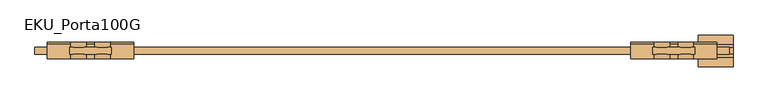
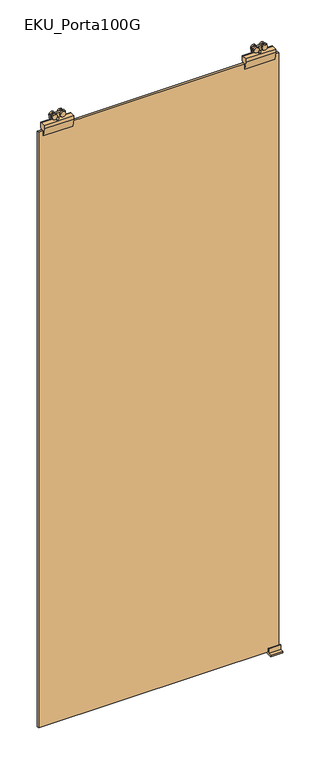
"""IFC4 building model written with IfcOpenShell, lengths in millimetres: door geometry, EKU_Porta100G."""

import ifcopenshell
import ifcopenshell.guid

model = None  # the IFC model being written
_history = None  # IfcOwnerHistory: only IFC2X3 demands one
_inside = {}  # id of a spatial element -> (the spatial element, [elements in it])
_under = {}  # id of a project, library or spatial element -> (it, [spatial elements below it])
_declared = {}  # id of a project -> (the project, [libraries it declares])
_typed = {}  # id of a type object -> (the type object, [elements of that type])
_made_of = {}  # id of a material, layer set ... -> (it, [elements and type objects made of it])


def new_model(schema):
    """Start an empty IFC model of exactly this schema.

    Asked for "IFC4X3", IfcOpenShell would pick the latest addendum, in which some entities
    have other attributes; the version numbers below select the first issue.
    IFC2X3 requires an IfcOwnerHistory on every rooted entity: one is made here for all.
    """
    global model, _history
    if schema == "IFC4X3":
        model = ifcopenshell.file(schema_version=(4, 3, 0, 0))
    else:
        model = ifcopenshell.file(schema=schema)
    _inside.clear()
    _under.clear()
    _declared.clear()
    _typed.clear()
    _made_of.clear()
    _history = None
    if model.schema == "IFC2X3":
        org = make("IfcOrganization", Name="unknown")
        user = make(
            "IfcPersonAndOrganization",
            ThePerson=make("IfcPerson", FamilyName="unknown"),
            TheOrganization=org,
        )
        app = make(
            "IfcApplication",
            ApplicationDeveloper=org,
            Version="unknown",
            ApplicationFullName="unknown",
            ApplicationIdentifier="unknown",
        )
        _history = make(
            "IfcOwnerHistory",
            OwningUser=user,
            OwningApplication=app,
            ChangeAction="ADDED",
            CreationDate=0,
        )
    return model


def make(cls, **values):
    """One entity of the class cls with the attributes given. An attribute that is None is left unset."""
    return model.create_entity(
        cls, **{name: value for name, value in values.items() if value is not None}
    )


def rooted(cls, **values):
    """An entity with a GlobalId (a new one), such as an element, a storey or a relation."""
    return make(cls, GlobalId=ifcopenshell.guid.new(), OwnerHistory=_history, **values)


def si_unit(unit_type, name, prefix=None):
    """IfcSIUnit, for example si_unit("LENGTHUNIT", "METRE", prefix="MILLI")."""
    return make("IfcSIUnit", UnitType=unit_type, Prefix=prefix, Name=name)


def assignment(units):
    """IfcUnitAssignment: the units of a project."""
    return None if units is None else make("IfcUnitAssignment", Units=units)


def point(xyz):
    """IfcCartesianPoint."""
    return None if xyz is None else make("IfcCartesianPoint", Coordinates=xyz)


def direction(xyz):
    """IfcDirection."""
    return None if xyz is None else make("IfcDirection", DirectionRatios=xyz)


def frame(location, z_axis=None, x_axis=None):
    """IfcAxis2Placement3D, a coordinate frame: its origin and axes. An axis left out is left unset."""
    return make(
        "IfcAxis2Placement3D",
        Location=point(location),
        Axis=direction(z_axis),
        RefDirection=direction(x_axis),
    )


def frame_2d(location, x_axis=None):
    """IfcAxis2Placement2D, a coordinate frame in the plane: its origin and x axis."""
    return make(
        "IfcAxis2Placement2D", Location=point(location), RefDirection=direction(x_axis)
    )


def origin():
    """The frame at (0, 0, 0) with its axes left unset."""
    return frame((0.0, 0.0, 0.0))


def place(relative_to, where):
    """IfcLocalPlacement: puts the frame where relative to a parent placement (None: the world)."""
    return make(
        "IfcLocalPlacement", PlacementRelTo=relative_to, RelativePlacement=where
    )


def context(
    kind, dimensions, precision=None, world=None, true_north=None, identifier=None
):
    """IfcGeometricRepresentationContext, for example the 3D "Model" context."""
    return make(
        "IfcGeometricRepresentationContext",
        ContextIdentifier=identifier,
        ContextType=kind,
        CoordinateSpaceDimension=dimensions,
        Precision=precision,
        WorldCoordinateSystem=world,
        TrueNorth=true_north,
    )


def project(units=None, contexts=None):
    """IfcProject with its units and contexts."""
    return rooted(
        "IfcProject",
        Name="project",
        RepresentationContexts=contexts,
        UnitsInContext=assignment(units),
    )


def spatial(cls, under=None, at=None, **own):
    """A site, building, storey or space (cls), placed at a placement, below another one or the project."""
    s = rooted(cls, ObjectPlacement=at, **own)
    if under is not None:
        _under.setdefault(under.id(), (under, []))[1].append(s)
    return s


def polyline(points):
    """IfcPolyline through the points."""
    return make("IfcPolyline", Points=[point(p) for p in points])


def circle_curve(where, radius):
    """IfcCircle in the frame where."""
    return make("IfcCircle", Position=where, Radius=radius)


def trimmed(basis, trim1, trim2, sense, master):
    """IfcTrimmedCurve: the piece of a basis curve between two trims."""
    return make(
        "IfcTrimmedCurve",
        BasisCurve=basis,
        Trim1=trim1,
        Trim2=trim2,
        SenseAgreement=sense,
        MasterRepresentation=master,
    )


def segment(curve, same_sense, transition):
    """IfcCompositeCurveSegment."""
    return make(
        "IfcCompositeCurveSegment",
        Transition=transition,
        SameSense=same_sense,
        ParentCurve=curve,
    )


def composite_curve(segments, self_intersect=None):
    """IfcCompositeCurve: segments joined end to end."""
    return make("IfcCompositeCurve", Segments=segments, SelfIntersect=self_intersect)


def outline(outer, holes=None, kind="AREA"):
    """IfcArbitraryClosedProfileDef: a profile drawn as a closed curve; with holes, ...WithVoids."""
    if holes is None:
        return make("IfcArbitraryClosedProfileDef", ProfileType=kind, OuterCurve=outer)
    return make(
        "IfcArbitraryProfileDefWithVoids",
        ProfileType=kind,
        OuterCurve=outer,
        InnerCurves=holes,
    )


def extrude(swept, where, along, depth):
    """IfcExtrudedAreaSolid: the profile swept, set in the frame where, extruded along a direction by depth."""
    return make(
        "IfcExtrudedAreaSolid",
        SweptArea=swept,
        Position=where,
        ExtrudedDirection=direction(along),
        Depth=depth,
    )


def shape(context_of_items, identifier, shape_type, items):
    """IfcShapeRepresentation: the items that make up one representation, for example the "Body"."""
    return make(
        "IfcShapeRepresentation",
        ContextOfItems=context_of_items,
        RepresentationIdentifier=identifier,
        RepresentationType=shape_type,
        Items=items,
    )


def source(mapping_origin, context_of_items, identifier, shape_type, items):
    """IfcRepresentationMap: a shape defined once, which mapped items show again and again."""
    return make(
        "IfcRepresentationMap",
        MappingOrigin=mapping_origin,
        MappedRepresentation=shape(context_of_items, identifier, shape_type, items),
    )


def transform(
    local_origin,
    x_axis=None,
    y_axis=None,
    z_axis=None,
    scale=None,
    scale2=None,
    scale3=None,
    uniform=True,
):
    """IfcCartesianTransformationOperator3D, or its non-uniform kind. x_axis, y_axis, z_axis: its Axis1, 2, 3."""
    if uniform:
        return make(
            "IfcCartesianTransformationOperator3D",
            Axis1=direction(x_axis),
            Axis2=direction(y_axis),
            LocalOrigin=point(local_origin),
            Scale=scale,
            Axis3=direction(z_axis),
        )
    return make(
        "IfcCartesianTransformationOperator3DnonUniform",
        Axis1=direction(x_axis),
        Axis2=direction(y_axis),
        LocalOrigin=point(local_origin),
        Scale=scale,
        Axis3=direction(z_axis),
        Scale2=scale2,
        Scale3=scale3,
    )


def mapped(mapping_source, mapping_target):
    """IfcMappedItem: shows the shape of a source again, moved by a transform."""
    return make(
        "IfcMappedItem", MappingSource=mapping_source, MappingTarget=mapping_target
    )


def made_of(thing, what):
    """Note that an element or type object is made of a material, layer set ...; save() writes the relation."""
    if what is not None:
        _made_of.setdefault(what.id(), (what, []))[1].append(thing)
    return thing


def element(
    cls,
    number,
    at=None,
    inside=None,
    cuts=None,
    type_object=None,
    material=None,
    context=None,
    identifier="Body",
    shape_type=None,
    held_by="IfcProductDefinitionShape",
    body=None,
    shapes=None,
    **own,
):
    """One element of the class cls, such as IfcWall. Its Tag is "e" and its number.

    at: its placement. inside: the storey or other place that contains it. cuts: it is an
    opening in that element (IfcRelVoidsElement). A single representation is given by context,
    identifier, shape_type and body (its items); several are given by shapes. held_by: the class
    of the entity that holds the representations. save() writes the other relations.
    """
    e = rooted(cls, Tag="e%d" % number, ObjectPlacement=at, **own)
    if body is not None:
        shapes = [shape(context, identifier, shape_type, body)]
    if shapes is not None:
        e.Representation = make(held_by, Representations=shapes)
    if inside is not None:
        _inside.setdefault(inside.id(), (inside, []))[1].append(e)
    if cuts is not None:
        rooted(
            "IfcRelVoidsElement", RelatingBuildingElement=cuts, RelatedOpeningElement=e
        )
    if type_object is not None:
        _typed.setdefault(type_object.id(), (type_object, []))[1].append(e)
    return made_of(e, material)


def aggregate(whole, parts):
    """IfcRelAggregates: a whole, such as a stair, and the parts it consists of."""
    return rooted("IfcRelAggregates", RelatingObject=whole, RelatedObjects=parts)


def save(model, path):
    """Write the relations noted so far, then the file.

    IfcRelAggregates (storeys below a building ...), IfcRelContainedInSpatialStructure (elements
    in a storey), IfcRelDefinesByType, IfcRelAssociatesMaterial and IfcRelDeclares: one each for
    every whole, place, type object, material and project.
    """
    for whole, parts in _under.values():
        aggregate(whole, parts)
    for where, things in _inside.values():
        rooted(
            "IfcRelContainedInSpatialStructure",
            RelatedElements=things,
            RelatingStructure=where,
        )
    for kind, things in _typed.values():
        rooted("IfcRelDefinesByType", RelatedObjects=things, RelatingType=kind)
    for what, things in _made_of.values():
        rooted("IfcRelAssociatesMaterial", RelatedObjects=things, RelatingMaterial=what)
    for by, libraries in _declared.values():
        rooted("IfcRelDeclares", RelatingContext=by, RelatedDefinitions=libraries)
    model.write(path)


def eku_porta100g_5e688a14(model_context):
    return source(origin(), model_context, "Body", "SweptSolid", [
        extrude(outline(polyline([(-12.5, -12.25), (-12.5, -2.25), (47.5, -2.25), (47.5, -12.25), (-12.5, -12.25)])), frame((0.0, 0.0, 2672.4593609), z_axis=(0.0, 0.0, 1.0), x_axis=(1.0, 0.0, 0.0)), (0.0, 0.0, 1.0), 18.5406391),
        extrude(outline(composite_curve([segment(trimmed(circle_curve(frame_2d((2683.5071727, 0.3437193)), 11.0), [point((2683.5071727, 11.3437193))], [point((2683.5071727, -10.6562807))], False, "CARTESIAN"), True, "CONTINUOUS"), segment(trimmed(circle_curve(frame_2d((2683.5071727, 0.3437193)), 11.0), [point((2683.5071727, -10.6562807))], [point((2683.5071727, 11.3437193))], False, "CARTESIAN"), True, "CONTINUOUS")], self_intersect=False)), frame((0.0, -2.25, 0.0), z_axis=(0.0, 1.0, 0.0), x_axis=(0.0, 0.0, 1.0)), (0.0, 0.0, 1.0), 7.0),
        extrude(outline(composite_curve([segment(trimmed(circle_curve(frame_2d((2683.5, 0.3437193)), 11.0), [point((2683.5, 11.3437193))], [point((2683.5, -10.6562807))], False, "CARTESIAN"), True, "CONTINUOUS"), segment(trimmed(circle_curve(frame_2d((2683.5, 0.3437193)), 11.0), [point((2683.5, -10.6562807))], [point((2683.5, 11.3437193))], False, "CARTESIAN"), True, "CONTINUOUS")], self_intersect=False)), frame((0.0, -19.25, 0.0), z_axis=(0.0, 1.0, 0.0), x_axis=(0.0, 0.0, 1.0)), (0.0, 0.0, 1.0), 7.0),
        extrude(outline(composite_curve([segment(trimmed(circle_curve(frame_2d((2683.5071727, 34.7187193)), 11.0), [point((2683.5071727, 45.7187193))], [point((2683.5071727, 23.7187193))], False, "CARTESIAN"), True, "CONTINUOUS"), segment(trimmed(circle_curve(frame_2d((2683.5071727, 34.7187193)), 11.0), [point((2683.5071727, 23.7187193))], [point((2683.5071727, 45.7187193))], False, "CARTESIAN"), True, "CONTINUOUS")], self_intersect=False)), frame((0.0, -2.25, 0.0), z_axis=(0.0, 1.0, 0.0), x_axis=(0.0, 0.0, 1.0)), (0.0, 0.0, 1.0), 7.0),
        extrude(outline(composite_curve([segment(trimmed(circle_curve(frame_2d((2683.5, 34.7187193)), 11.0), [point((2683.5, 45.7187193))], [point((2683.5, 23.7187193))], False, "CARTESIAN"), True, "CONTINUOUS"), segment(trimmed(circle_curve(frame_2d((2683.5, 34.7187193)), 11.0), [point((2683.5, 23.7187193))], [point((2683.5, 45.7187193))], False, "CARTESIAN"), True, "CONTINUOUS")], self_intersect=False)), frame((0.0, -19.25, 0.0), z_axis=(0.0, 1.0, 0.0), x_axis=(0.0, 0.0, 1.0)), (0.0, 0.0, 1.0), 7.0),
        extrude(outline(polyline([(13.5, -2.25), (21.5, -2.25), (21.5, -12.25), (13.5, -12.25), (13.5, -2.25)])), frame((0.0, 0.0, 2661.0), z_axis=(0.0, 0.0, 1.0), x_axis=(1.0, 0.0, 0.0)), (0.0, 0.0, 1.0), 30.0),
        extrude(outline(polyline([(-19.25, 2661.0), (2.442747, 2661.0), (4.75, 2661.0), (4.75, 2647.0), (-2.25, 2612.0), (-2.25, 2634.0), (-12.25, 2634.0), (-12.25, 2612.0), (-19.25, 2647.0), (-19.25, 2661.0)])), frame((-44.5, 0.0, 0.0), z_axis=(1.0, 0.0, 0.0), x_axis=(0.0, 1.0, 0.0)), (0.0, 0.0, 1.0), 124.0),
        extrude(outline(polyline([(-792.5, -12.25), (-852.5, -12.25), (-852.5, -2.25), (-792.5, -2.25), (-792.5, -12.25)])), frame((0.0, 0.0, 2672.4593609), z_axis=(0.0, 0.0, 1.0), x_axis=(1.0, 0.0, 0.0)), (0.0, 0.0, 1.0), 18.5406391),
        extrude(outline(composite_curve([segment(trimmed(circle_curve(frame_2d((2683.5071727, -805.3437193)), 11.0), [point((2683.5071727, -816.3437193))], [point((2683.5071727, -794.3437193))], False, "CARTESIAN"), True, "CONTINUOUS"), segment(trimmed(circle_curve(frame_2d((2683.5071727, -805.3437193)), 11.0), [point((2683.5071727, -794.3437193))], [point((2683.5071727, -816.3437193))], False, "CARTESIAN"), True, "CONTINUOUS")], self_intersect=False)), frame((0.0, -2.25, 0.0), z_axis=(0.0, 1.0, 0.0), x_axis=(0.0, 0.0, 1.0)), (0.0, 0.0, 1.0), 7.0),
        extrude(outline(composite_curve([segment(trimmed(circle_curve(frame_2d((2683.5, -805.3437193)), 11.0), [point((2683.5, -816.3437193))], [point((2683.5, -794.3437193))], False, "CARTESIAN"), True, "CONTINUOUS"), segment(trimmed(circle_curve(frame_2d((2683.5, -805.3437193)), 11.0), [point((2683.5, -794.3437193))], [point((2683.5, -816.3437193))], False, "CARTESIAN"), True, "CONTINUOUS")], self_intersect=False)), frame((0.0, -19.25, 0.0), z_axis=(0.0, 1.0, 0.0), x_axis=(0.0, 0.0, 1.0)), (0.0, 0.0, 1.0), 7.0),
        extrude(outline(composite_curve([segment(trimmed(circle_curve(frame_2d((2683.5071727, -839.7187193)), 11.0), [point((2683.5071727, -850.7187193))], [point((2683.5071727, -828.7187193))], False, "CARTESIAN"), True, "CONTINUOUS"), segment(trimmed(circle_curve(frame_2d((2683.5071727, -839.7187193)), 11.0), [point((2683.5071727, -828.7187193))], [point((2683.5071727, -850.7187193))], False, "CARTESIAN"), True, "CONTINUOUS")], self_intersect=False)), frame((0.0, -2.25, 0.0), z_axis=(0.0, 1.0, 0.0), x_axis=(0.0, 0.0, 1.0)), (0.0, 0.0, 1.0), 7.0),
        extrude(outline(composite_curve([segment(trimmed(circle_curve(frame_2d((2683.5, -839.7187193)), 11.0), [point((2683.5, -850.7187193))], [point((2683.5, -828.7187193))], False, "CARTESIAN"), True, "CONTINUOUS"), segment(trimmed(circle_curve(frame_2d((2683.5, -839.7187193)), 11.0), [point((2683.5, -828.7187193))], [point((2683.5, -850.7187193))], False, "CARTESIAN"), True, "CONTINUOUS")], self_intersect=False)), frame((0.0, -19.25, 0.0), z_axis=(0.0, 1.0, 0.0), x_axis=(0.0, 0.0, 1.0)), (0.0, 0.0, 1.0), 7.0),
        extrude(outline(polyline([(-818.5, -2.25), (-818.5, -12.25), (-826.5, -12.25), (-826.5, -2.25), (-818.5, -2.25)])), frame((0.0, 0.0, 2661.0), z_axis=(0.0, 0.0, 1.0), x_axis=(1.0, 0.0, 0.0)), (0.0, 0.0, 1.0), 30.0),
        extrude(outline(polyline([(-19.25, 2661.0), (2.442747, 2661.0), (4.75, 2661.0), (4.75, 2647.0), (-2.25, 2612.0), (-2.25, 2634.0), (-12.25, 2634.0), (-12.25, 2612.0), (-19.25, 2647.0), (-19.25, 2661.0)])), frame((-884.5, 0.0, 0.0), z_axis=(1.0, 0.0, 0.0), x_axis=(0.0, 1.0, 0.0)), (0.0, 0.0, 1.0), 124.0),
        extrude(outline(polyline([(-902.5, -2.25), (97.5, -2.25), (97.5, -12.25), (-902.5, -12.25), (-902.5, -2.25)])), frame((0.0, 0.0, 10.0), z_axis=(0.0, 0.0, 1.0), x_axis=(1.0, 0.0, 0.0)), (0.0, 0.0, 1.0), 2624.0),
        extrude(outline(polyline([(15.3483682, 5.75), (15.3483682, 0.0), (-29.8483682, 0.0), (-29.8483682, 5.75), (-16.1516318, 5.75), (-16.1516318, 26.0), (-12.25, 26.0), (-12.25, 10.0), (-2.25, 10.0), (-2.25, 26.0), (1.6516318, 26.0), (1.6516318, 5.75), (15.3483682, 5.75)])), frame((52.5, 0.0, 0.0), z_axis=(1.0, 0.0, 0.0), x_axis=(0.0, 1.0, 0.0)), (0.0, 0.0, 1.0), 50.4100933),
    ])


if __name__ == "__main__":
    model = new_model("IFC4")
    model_context = context("Model", 3, world=origin())
    ifc_project = project(units=[si_unit("LENGTHUNIT", "METRE", prefix="MILLI")], contexts=[model_context])
    site = spatial("IfcSite", under=ifc_project)
    building = spatial("IfcBuilding", under=site)
    placement = place(None, origin())
    eku_porta100g_shape = eku_porta100g_5e688a14(model_context)
    element("IfcDoor", 1, ObjectType="EKU_Porta100G", at=placement, inside=building, context=model_context, shape_type="MappedRepresentation", body=[
        mapped(eku_porta100g_shape, transform((0.0, 0.0, 0.0), x_axis=(1.0, 0.0, 0.0), y_axis=(0.0, 1.0, 0.0), z_axis=(0.0, 0.0, 1.0))),
    ])
    save(model, "model.ifc")
